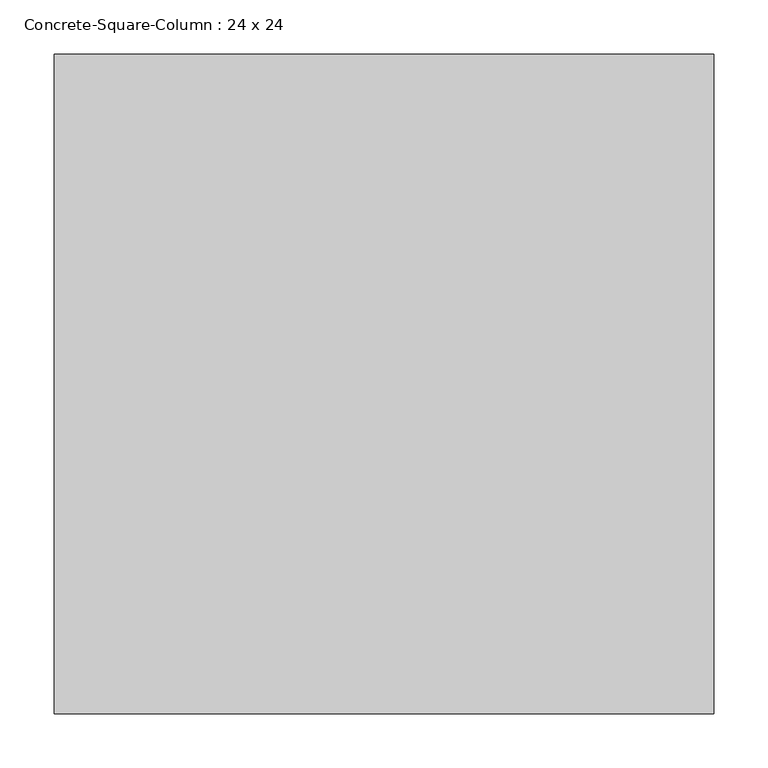
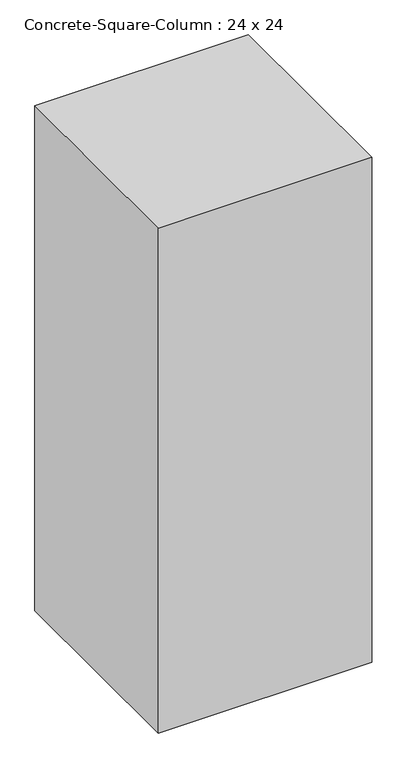
"""IFC4 building model written with IfcOpenShell, lengths in millimetres: column geometry, Concrete-Square-Column : 24 x 24."""

from ifc_helpers import new_model, si_unit, frame, origin, place, context, project, spatial, polyline, outline, extrude, source, transform, mapped, element, save


def concrete_square_column_24_x_24_690e9b29(model_context):
    return source(origin(), model_context, "Body", "SweptSolid", [
        extrude(outline(polyline([(304.8, 304.8), (304.8, -304.8), (-304.8, -304.8), (-304.8, 304.8), (304.8, 304.8)])), frame((0.0, 0.0, -1524.0), z_axis=(0.0, 0.0, 1.0), x_axis=(1.0, 0.0, 0.0)), (0.0, 0.0, 1.0), 1524.0),
    ])


if __name__ == "__main__":
    model = new_model("IFC4")
    model_context = context("Model", 3, world=origin())
    ifc_project = project(units=[si_unit("LENGTHUNIT", "METRE", prefix="MILLI")], contexts=[model_context])
    site = spatial("IfcSite", under=ifc_project)
    building = spatial("IfcBuilding", under=site)
    placement = place(None, origin())
    concrete_square_column_24_x_24_shape = concrete_square_column_24_x_24_690e9b29(model_context)
    element("IfcColumn", 1, ObjectType="Concrete-Square-Column : 24 x 24", at=placement, inside=building, context=model_context, shape_type="MappedRepresentation", body=[
        mapped(concrete_square_column_24_x_24_shape, transform((0.0, 0.0, 0.0), x_axis=(1.0, 0.0, 0.0), y_axis=(0.0, 1.0, 0.0), z_axis=(0.0, 0.0, 1.0))),
    ])
    save(model, "model.ifc")
